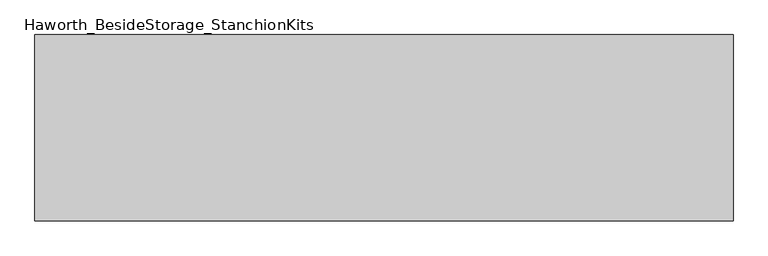
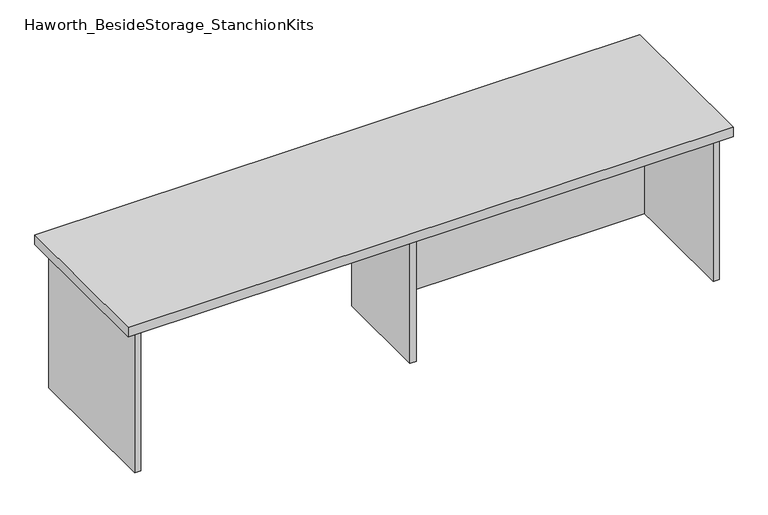
"""IFC4 building model written with IfcOpenShell, lengths in millimetres: furniture geometry, Haworth_BesideStorage_StanchionKits."""

from ifc_helpers import new_model, si_unit, frame, origin, place, context, project, spatial, polyline, outline, extrude, source, transform, mapped, element, save


def haworth_besidestorage_stanchionkits_06f8344f(model_context):
    return source(origin(), model_context, "Body", "SweptSolid", [
        extrude(outline(polyline([(923.925, 0.0), (923.925, -406.4), (-600.075, -406.4), (-600.075, 0.0), (923.925, 0.0)])), frame((0.0, 0.0, 812.8), z_axis=(0.0, 0.0, 1.0), x_axis=(1.0, 0.0, 0.0)), (0.0, 0.0, 1.0), 25.4),
        extrude(outline(polyline([(169.8625, -76.2), (882.65, -76.2), (882.65, -92.075), (169.8625, -92.075), (169.8625, -76.2)])), frame((0.0, 0.0, 431.8), z_axis=(0.0, 0.0, 1.0), x_axis=(1.0, 0.0, 0.0)), (0.0, 0.0, 1.0), 381.0),
        extrude(outline(polyline([(169.8625, -330.2), (153.9875, -330.2), (153.9875, -76.2), (169.8625, -76.2), (169.8625, -330.2)])), frame((0.0, 0.0, 431.8), z_axis=(0.0, 0.0, 1.0), x_axis=(1.0, 0.0, 0.0)), (0.0, 0.0, 1.0), 381.0),
        extrude(outline(polyline([(898.525, -390.525), (882.65, -390.525), (882.65, -15.875), (898.525, -15.875), (898.525, -390.525)])), frame((0.0, 0.0, 431.8), z_axis=(0.0, 0.0, 1.0), x_axis=(1.0, 0.0, 0.0)), (0.0, 0.0, 1.0), 381.0),
        extrude(outline(polyline([(-558.8, -390.525), (-574.675, -390.525), (-574.675, -15.875), (-558.8, -15.875), (-558.8, -390.525)])), frame((0.0, 0.0, 431.8), z_axis=(0.0, 0.0, 1.0), x_axis=(1.0, 0.0, 0.0)), (0.0, 0.0, 1.0), 381.0),
    ])


if __name__ == "__main__":
    model = new_model("IFC4")
    model_context = context("Model", 3, world=origin())
    ifc_project = project(units=[si_unit("LENGTHUNIT", "METRE", prefix="MILLI")], contexts=[model_context])
    site = spatial("IfcSite", under=ifc_project)
    building = spatial("IfcBuilding", under=site)
    placement = place(None, origin())
    haworth_besidestorage_stanchionkits_shape = haworth_besidestorage_stanchionkits_06f8344f(model_context)
    element("IfcFurniture", 1, ObjectType="Haworth_BesideStorage_StanchionKits", at=placement, inside=building, context=model_context, shape_type="MappedRepresentation", body=[
        mapped(haworth_besidestorage_stanchionkits_shape, transform((0.0, 0.0, 0.0), x_axis=(1.0, 0.0, 0.0), y_axis=(0.0, 1.0, 0.0), z_axis=(0.0, 0.0, 1.0))),
    ])
    save(model, "model.ifc")
